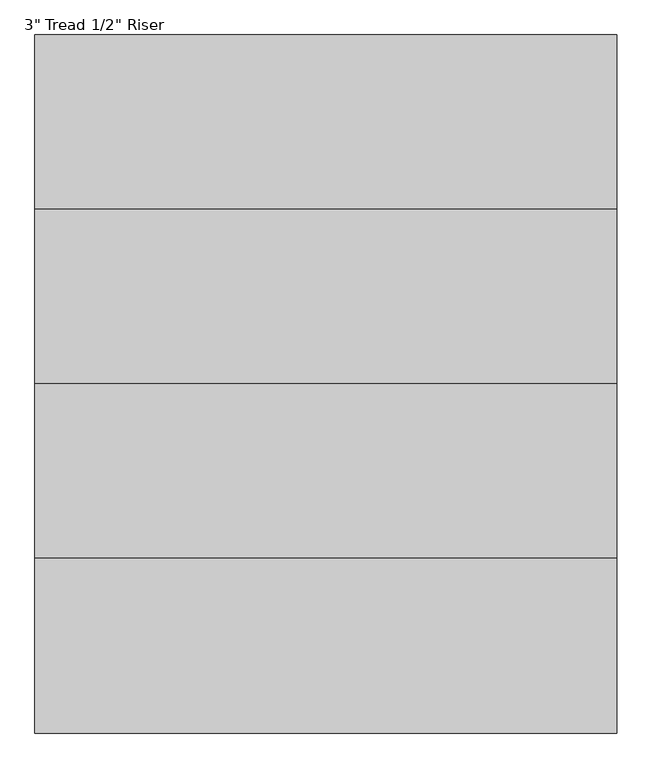
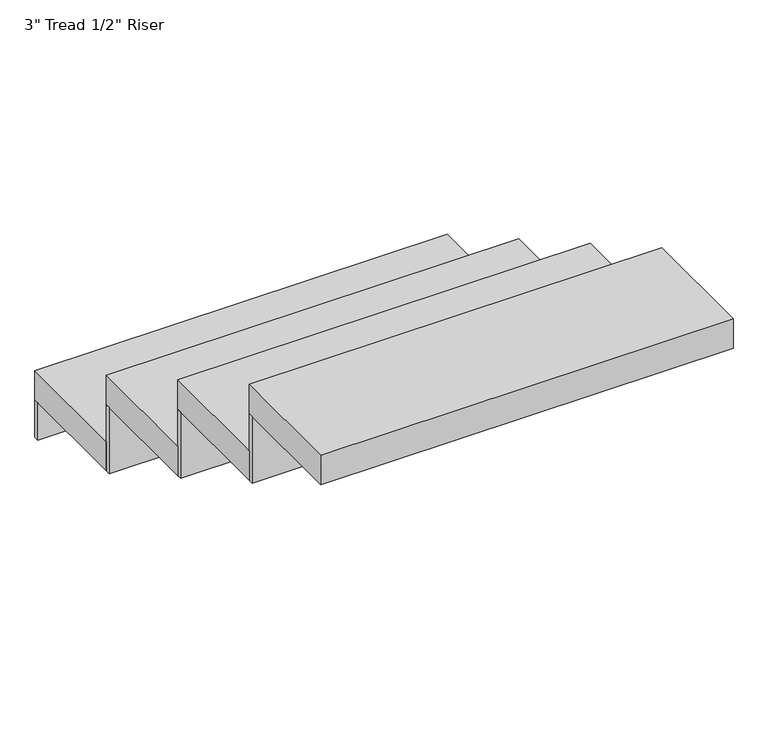
"""IFC4 building model written with IfcOpenShell, lengths in millimetres: stair flight geometry."""

from ifc_helpers import new_model, si_unit, frame, origin, place, context, project, spatial, polyline, outline, extrude, source, transform, mapped, element, save


def stair_flight_45c40f06(model_context):
    return source(origin(), model_context, "Body", "SweptSolid", [
        extrude(outline(polyline([(-284343.3787537, 174490.8420048), (-285359.3787537, 174490.8420048), (-285359.3787537, 174795.6420048), (-284343.3787537, 174795.6420048), (-284343.3787537, 174490.8420048)])), frame((0.0, 0.0, -3535.4380952), z_axis=(0.0, 0.0, 1.0), x_axis=(1.0, 0.0, 0.0)), (0.0, 0.0, 1.0), 76.2),
        extrude(outline(polyline([(-285359.3787537, 174782.9420048), (-285359.3787537, 174795.6420048), (-284343.3787537, 174795.6420048), (-284343.3787537, 174782.9420048), (-285359.3787537, 174782.9420048)])), frame((0.0, 0.0, -3632.2), z_axis=(0.0, 0.0, 1.0), x_axis=(1.0, 0.0, 0.0)), (0.0, 0.0, 1.0), 96.7619048),
        extrude(outline(polyline([(-285359.3787537, 174478.1420048), (-285359.3787537, 174490.8420048), (-284343.3787537, 174490.8420048), (-284343.3787537, 174478.1420048), (-285359.3787537, 174478.1420048)])), frame((0.0, 0.0, -3535.4380952), z_axis=(0.0, 0.0, 1.0), x_axis=(1.0, 0.0, 0.0)), (0.0, 0.0, 1.0), 172.9619048),
        extrude(outline(polyline([(-284343.3787537, 174186.0420048), (-285359.3787537, 174186.0420048), (-285359.3787537, 174490.8420048), (-284343.3787537, 174490.8420048), (-284343.3787537, 174186.0420048)])), frame((0.0, 0.0, -3362.4761905), z_axis=(0.0, 0.0, 1.0), x_axis=(1.0, 0.0, 0.0)), (0.0, 0.0, 1.0), 76.2),
        extrude(outline(polyline([(-285359.3787537, 174173.3420048), (-285359.3787537, 174186.0420048), (-284343.3787537, 174186.0420048), (-284343.3787537, 174173.3420048), (-285359.3787537, 174173.3420048)])), frame((0.0, 0.0, -3362.4761905), z_axis=(0.0, 0.0, 1.0), x_axis=(1.0, 0.0, 0.0)), (0.0, 0.0, 1.0), 172.9619048),
        extrude(outline(polyline([(-284343.3787537, 173881.2420048), (-285359.3787537, 173881.2420048), (-285359.3787537, 174186.0420048), (-284343.3787537, 174186.0420048), (-284343.3787537, 173881.2420048)])), frame((0.0, 0.0, -3189.5142857), z_axis=(0.0, 0.0, 1.0), x_axis=(1.0, 0.0, 0.0)), (0.0, 0.0, 1.0), 76.2),
        extrude(outline(polyline([(-285359.3787537, 173868.5420048), (-285359.3787537, 173881.2420048), (-284343.3787537, 173881.2420048), (-284343.3787537, 173868.5420048), (-285359.3787537, 173868.5420048)])), frame((0.0, 0.0, -3189.5142857), z_axis=(0.0, 0.0, 1.0), x_axis=(1.0, 0.0, 0.0)), (0.0, 0.0, 1.0), 172.9619048),
        extrude(outline(polyline([(-284343.3787537, 173576.4420048), (-285359.3787537, 173576.4420048), (-285359.3787537, 173881.2420048), (-284343.3787537, 173881.2420048), (-284343.3787537, 173576.4420048)])), frame((0.0, 0.0, -3016.552381), z_axis=(0.0, 0.0, 1.0), x_axis=(1.0, 0.0, 0.0)), (0.0, 0.0, 1.0), 76.2),
    ])


if __name__ == "__main__":
    model = new_model("IFC4")
    model_context = context("Model", 3, world=origin())
    ifc_project = project(units=[si_unit("LENGTHUNIT", "METRE", prefix="MILLI")], contexts=[model_context])
    site = spatial("IfcSite", under=ifc_project)
    building = spatial("IfcBuilding", under=site)
    placement = place(None, origin())
    stair_flight_shape = stair_flight_45c40f06(model_context)
    element("IfcStairFlight", 1, ObjectType="3\" Tread 1/2\" Riser", at=placement, inside=building, context=model_context, shape_type="MappedRepresentation", body=[
        mapped(stair_flight_shape, transform((0.0, 0.0, 0.0), x_axis=(1.0, 0.0, 0.0), y_axis=(0.0, 1.0, 0.0), z_axis=(0.0, 0.0, 1.0))),
    ])
    save(model, "model.ifc")
